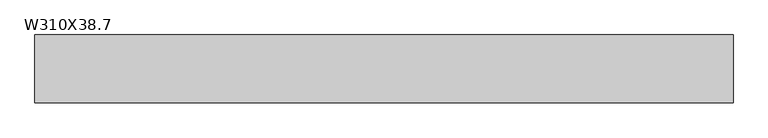
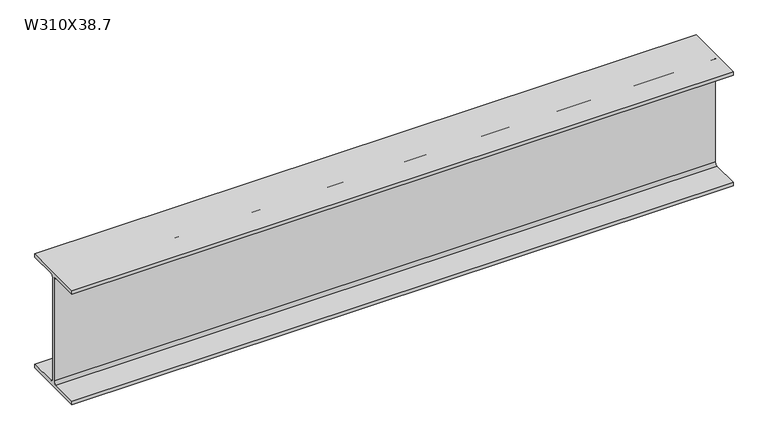
"""IFC4 building model written with IfcOpenShell, lengths in millimetres: beam geometry, W310X38.7."""

from ifc_helpers import new_model, si_unit, point, frame, frame_2d, origin, place, context, project, spatial, polyline, circle_curve, trimmed, segment, composite_curve, outline, extrude, source, transform, mapped, element, save


def w310x38_7_25113f08(model_context):
    return source(origin(), model_context, "Body", "SweptSolid", [
        extrude(outline(composite_curve([segment(polyline([(82.5, -145.35), (82.5, -155.0), (-82.5, -155.0), (-82.5, -145.35), (-10.57, -145.35)]), True, "CONTINUOUS"), segment(trimmed(circle_curve(frame_2d((-10.57, -137.7)), 7.65), [point((-10.57, -145.35))], [point((-2.92, -137.7))], True, "CARTESIAN"), True, "CONTINUOUS"), segment(polyline([(-2.92, -137.7), (-2.92, 137.7)]), True, "CONTINUOUS"), segment(trimmed(circle_curve(frame_2d((-10.57, 137.7)), 7.65), [point((-2.92, 137.7))], [point((-10.57, 145.35))], True, "CARTESIAN"), True, "CONTINUOUS"), segment(polyline([(-10.57, 145.35), (-82.5, 145.35), (-82.5, 155.0), (82.5, 155.0), (82.5, 145.35), (10.57, 145.35)]), True, "CONTINUOUS"), segment(trimmed(circle_curve(frame_2d((10.57, 137.7)), 7.65), [point((10.57, 145.35))], [point((2.92, 137.7))], True, "CARTESIAN"), True, "CONTINUOUS"), segment(polyline([(2.92, 137.7), (2.92, -137.7)]), True, "CONTINUOUS"), segment(trimmed(circle_curve(frame_2d((10.57, -137.7)), 7.65), [point((2.92, -137.7))], [point((10.57, -145.35))], True, "CARTESIAN"), True, "CONTINUOUS"), segment(polyline([(10.57, -145.35), (82.5, -145.35)]), True, "CONTINUOUS")], self_intersect=False)), frame((-850.0, 0.0, 0.0), z_axis=(1.0, 0.0, 0.0), x_axis=(0.0, 1.0, 0.0)), (0.0, 0.0, 1.0), 1700.0),
    ])


if __name__ == "__main__":
    model = new_model("IFC4")
    model_context = context("Model", 3, world=origin())
    ifc_project = project(units=[si_unit("LENGTHUNIT", "METRE", prefix="MILLI")], contexts=[model_context])
    site = spatial("IfcSite", under=ifc_project)
    building = spatial("IfcBuilding", under=site)
    placement = place(None, origin())
    w310x38_7_shape = w310x38_7_25113f08(model_context)
    element("IfcBeam", 1, ObjectType="W310X38.7", at=placement, inside=building, context=model_context, shape_type="MappedRepresentation", body=[
        mapped(w310x38_7_shape, transform((0.0, 0.0, 0.0), x_axis=(1.0, 0.0, 0.0), y_axis=(0.0, 1.0, 0.0), z_axis=(0.0, 0.0, 1.0))),
    ])
    save(model, "model.ifc")
